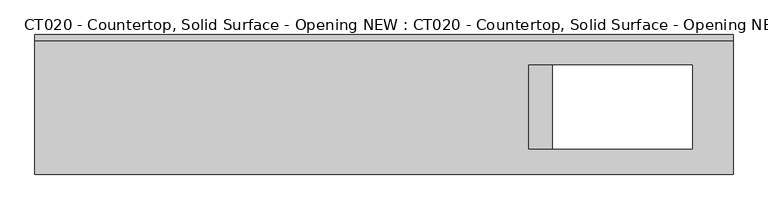
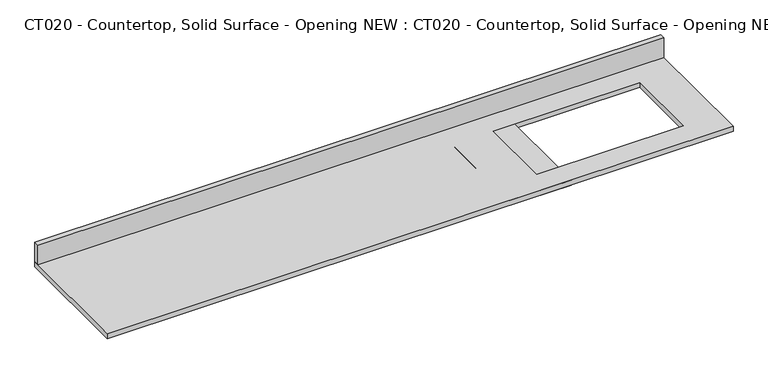
"""IFC4 building model written with IfcOpenShell, lengths in millimetres: proxy geometry, CT020 - Countertop, Solid Surface - Opening NEW : CT020 - Countertop, Solid Surface - Opening NEW."""

from ifc_helpers import new_model, si_unit, frame, origin, origin_with_axes, place, context, project, spatial, polyline, outline, extrude, source, transform, mapped, element, save


def ct020_countertop_solid_surface_opening_new_ct020_countertop_48dc6892(model_context):
    return source(origin(), model_context, "Body", "SweptSolid", [
        extrude(outline(polyline([(941.3875, 304.8), (941.3875, -304.8), (-2106.6125, -304.8), (-2106.6125, 304.8), (941.3875, 304.8)]), holes=[polyline([(762.0, 171.5884989), (48.9478712, 171.5884989), (48.9478712, -194.0853406), (762.0, -194.0853406), (762.0, 171.5884989)])]), origin_with_axes(), (0.0, 0.0, 1.0), 25.4),
        extrude(outline(polyline([(-2106.6125, 279.4), (-2106.6125, 304.8), (941.3875, 304.8), (941.3875, 279.4), (-2106.6125, 279.4)])), frame((0.0, 0.0, 25.4), z_axis=(0.0, 0.0, 1.0), x_axis=(1.0, 0.0, 0.0)), (0.0, 0.0, 1.0), 101.6),
        extrude(outline(polyline([(-152.4, 304.8), (152.4, 304.8), (152.4, -304.8), (-152.4, -304.8), (-152.4, 0.0), (-152.4, 304.8)])), origin_with_axes(), (0.0, 0.0, 1.0), 25.4),
    ])


if __name__ == "__main__":
    model = new_model("IFC4")
    model_context = context("Model", 3, world=origin())
    ifc_project = project(units=[si_unit("LENGTHUNIT", "METRE", prefix="MILLI")], contexts=[model_context])
    site = spatial("IfcSite", under=ifc_project)
    building = spatial("IfcBuilding", under=site)
    placement = place(None, origin())
    ct020_countertop_solid_surface_opening_new_ct020_countertop_shape = ct020_countertop_solid_surface_opening_new_ct020_countertop_48dc6892(model_context)
    element("IfcBuildingElementProxy", 1, Name="CT020 - Countertop, Solid Surface - Opening NEW : CT020 - Countertop, Solid Surface - Opening NEW", ObjectType="CT020 - Countertop, Solid Surface - Opening NEW : CT020 - Countertop, Solid Surface - Opening NEW", at=placement, inside=building, context=model_context, shape_type="MappedRepresentation", body=[
        mapped(ct020_countertop_solid_surface_opening_new_ct020_countertop_shape, transform((0.0, 0.0, 0.0), x_axis=(1.0, 0.0, 0.0), y_axis=(0.0, 1.0, 0.0), z_axis=(0.0, 0.0, 1.0))),
    ])
    save(model, "model.ifc")
